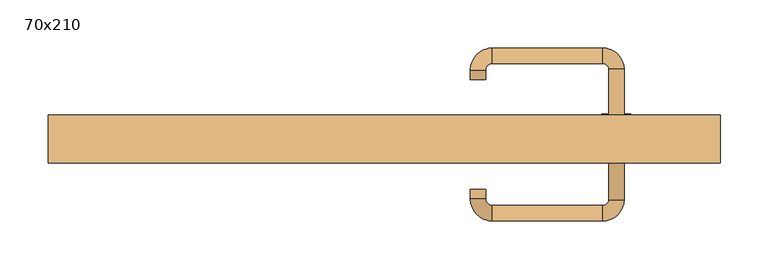
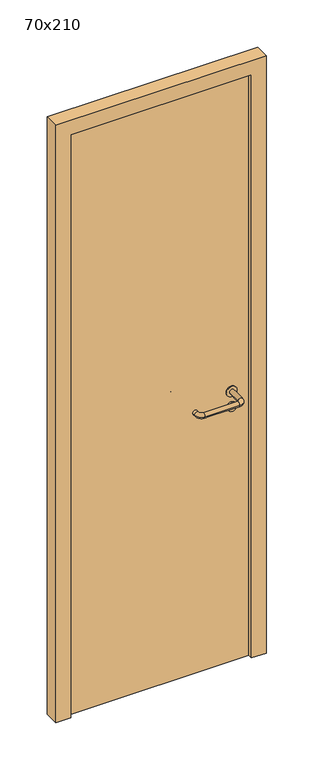
"""IFC4 building model written with IfcOpenShell, lengths in millimetres: door geometry, 70x210."""

from ifc_helpers import new_model, si_unit, point, frame, frame_2d, origin, origin_with_axes, place, context, project, spatial, polyline, circle_curve, ellipse_curve, trimmed, segment, composite_curve, outline, extrude, source, transform, mapped, element, save
from ifc_brep_helpers import plane_surface, cylinder_surface, revolved_surface, advanced_brep


def door_70x210_7f14b2c3(model_context):
    return source(origin(), model_context, "Body", "SolidModel", [
        extrude(outline(composite_curve([segment(trimmed(circle_curve(frame_2d((897.3605726, 242.0)), 15.0), [point((897.3605726, 257.0))], [point((897.3605726, 227.0))], False, "CARTESIAN"), True, "CONTINUOUS"), segment(trimmed(circle_curve(frame_2d((897.3605726, 242.0)), 15.0), [point((897.3605726, 227.0))], [point((897.3605726, 257.0))], False, "CARTESIAN"), True, "CONTINUOUS")], self_intersect=False), holes=[composite_curve([segment(trimmed(circle_curve(frame_2d((892.5833211, 241.9398032)), 2.0), [point((892.5833211, 243.9398032))], [point((892.5833211, 239.9398032))], True, "CARTESIAN"), True, "CONTINUOUS"), segment(polyline([(892.5833211, 239.9398032), (902.5833211, 239.9398032)]), True, "CONTINUOUS"), segment(trimmed(circle_curve(frame_2d((902.5833211, 241.9398032)), 2.0), [point((902.5833211, 239.9398032))], [point((902.5833211, 243.9398032))], True, "CARTESIAN"), True, "CONTINUOUS"), segment(polyline([(902.5833211, 243.9398032), (892.5833211, 243.9398032)]), True, "CONTINUOUS")], self_intersect=False)]), frame((0.0, 18.65, 0.0), z_axis=(0.0, 1.0, 0.0), x_axis=(0.0, 0.0, 1.0)), (0.0, 0.0, 1.0), 6.35),
        extrude(outline(composite_curve([segment(trimmed(circle_curve(frame_2d((950.0, 242.0)), 17.526), [point((950.0, 259.526))], [point((950.0, 224.474))], False, "CARTESIAN"), True, "CONTINUOUS"), segment(trimmed(circle_curve(frame_2d((950.0, 242.0)), 17.526), [point((950.0, 224.474))], [point((950.0, 259.526))], False, "CARTESIAN"), True, "CONTINUOUS")], self_intersect=False)), frame((0.0, 21.825, 0.0), z_axis=(0.0, 1.0, 0.0), x_axis=(0.0, 0.0, 1.0)), (0.0, 0.0, 1.0), 3.175),
        advanced_brep(
        [(250.0, 25.0, 950.0), (234.0, 25.0, 950.0), (234.0, -28.0, 950.0), (250.0, -28.0, 950.0), (227.8578644, -34.1421356, 950.0), (227.8578644, -50.1421356, 950.0), (112.8578644, -34.1421356, 950.0), (112.8578644, -50.1421356, 950.0), (106.008622, -27.2928932, 950.0), (90.008622, -27.2928932, 950.0), (90.008622, -17.2928932, 950.0), (106.008622, -17.2928932, 950.0)],
        [
            (0, 1, circle_curve(frame((242.0, 25.0, 950.0), z_axis=(0.0, 1.0, 0.0), x_axis=(-1.0, 0.0, 0.0)), 8.0)),
            (1, 0, circle_curve(frame((242.0, 25.0, 950.0), z_axis=(0.0, 1.0, 0.0), x_axis=(-1.0, 0.0, 0.0)), 8.0)),
            (1, 2),
            (2, 3, circle_curve(frame((242.0, -28.0, 950.0), z_axis=(0.0, 1.0, 0.0), x_axis=(-1.0, 0.0, 0.0)), 8.0)),
            (3, 0),
            (3, 2, circle_curve(frame((242.0, -28.0, 950.0), z_axis=(0.0, 1.0, 0.0), x_axis=(-1.0, 0.0, 0.0)), 8.0)),
            (4, 5, circle_curve(frame((227.8578644, -42.1421356, 950.0), z_axis=(1.0, 0.0, 0.0), x_axis=(0.0, 1.0, 0.0)), 8.0)),
            (5, 3, circle_curve(frame((227.8578644, -28.0, 950.0), z_axis=(0.0, 0.0, 1.0), x_axis=(1.0, 0.0, 0.0)), 22.1421356)),
            (2, 4, circle_curve(frame((227.8578644, -28.0, 950.0), z_axis=(0.0, 0.0, -1.0), x_axis=(1.0, 0.0, 0.0)), 6.1421356)),
            (5, 4, circle_curve(frame((227.8578644, -42.1421356, 950.0), z_axis=(1.0, 0.0, 0.0), x_axis=(0.0, 1.0, 0.0)), 8.0)),
            (4, 6),
            (6, 7, circle_curve(frame((112.8578644, -42.1421356, 950.0), z_axis=(1.0, 0.0, 0.0), x_axis=(0.0, 1.0, 0.0)), 8.0)),
            (7, 5),
            (7, 6, circle_curve(frame((112.8578644, -42.1421356, 950.0), z_axis=(1.0, 0.0, 0.0), x_axis=(0.0, 1.0, 0.0)), 8.0)),
            (8, 9, circle_curve(frame((98.008622, -27.2928932, 950.0), z_axis=(0.0, -1.0, 0.0), x_axis=(1.0, 0.0, 0.0)), 8.0)),
            (9, 7, circle_curve(frame((112.8578644, -27.2928932, 950.0), z_axis=(0.0, 0.0, 1.0), x_axis=(0.0, -1.0, 0.0)), 22.8492424)),
            (6, 8, circle_curve(frame((112.8578644, -27.2928932, 950.0), z_axis=(0.0, 0.0, -1.0), x_axis=(0.0, -1.0, 0.0)), 6.8492424)),
            (9, 8, circle_curve(frame((98.008622, -27.2928932, 950.0), z_axis=(0.0, -1.0, 0.0), x_axis=(1.0, 0.0, 0.0)), 8.0)),
            (10, 11, circle_curve(frame((98.008622, -17.2928932, 950.0), z_axis=(0.0, 1.0, 0.0), x_axis=(1.0, 0.0, 0.0)), 8.0)),
            (11, 10, circle_curve(frame((98.008622, -17.2928932, 950.0), z_axis=(0.0, 1.0, 0.0), x_axis=(1.0, 0.0, 0.0)), 8.0)),
            (8, 11),
            (10, 9),
        ],
        [
            plane_surface(frame((242.0, 25.0, 170.0), z_axis=(0.0, 1.0, 0.0), x_axis=(0.0, 0.0, 1.0))),
            cylinder_surface(frame((242.0, 25.0, 950.0), z_axis=(0.0, 1.0, 0.0), x_axis=(-1.0, 0.0, 0.0)), 8.0),
            revolved_surface(trimmed(ellipse_curve(frame((242.0, -28.0, 950.0), z_axis=(0.0, -1.0, 0.0), x_axis=(-1.0, 0.0, 0.0)), 8.0, 8.0), [point((250.0, -28.0, 950.0))], [point((234.0, -28.0, 950.0))], True, "CARTESIAN"), (227.8578644, -28.0, 170.0), (0.0, 0.0, 1.0)),
            revolved_surface(trimmed(ellipse_curve(frame((242.0, -28.0, 950.0), z_axis=(0.0, -1.0, 0.0), x_axis=(-1.0, 0.0, 0.0)), 8.0, 8.0), [point((234.0, -28.0, 950.0))], [point((250.0, -28.0, 950.0))], True, "CARTESIAN"), (227.8578644, -28.0, 170.0), (0.0, 0.0, 1.0)),
            cylinder_surface(frame((227.8578644, -42.1421356, 950.0), z_axis=(1.0, 0.0, 0.0), x_axis=(0.0, 1.0, 0.0)), 8.0),
            revolved_surface(trimmed(ellipse_curve(frame((112.8578644, -42.1421356, 950.0), z_axis=(-1.0, 0.0, 0.0), x_axis=(0.0, 1.0, 0.0)), 8.0, 8.0), [point((112.8578644, -50.1421356, 950.0))], [point((112.8578644, -34.1421356, 950.0))], True, "CARTESIAN"), (112.8578644, -27.2928932, 170.0), (0.0, 0.0, 1.0)),
            revolved_surface(trimmed(ellipse_curve(frame((112.8578644, -42.1421356, 950.0), z_axis=(-1.0, 0.0, 0.0), x_axis=(0.0, 1.0, 0.0)), 8.0, 8.0), [point((112.8578644, -34.1421356, 950.0))], [point((112.8578644, -50.1421356, 950.0))], True, "CARTESIAN"), (112.8578644, -27.2928932, 170.0), (0.0, 0.0, 1.0)),
            plane_surface(frame((98.008622, -17.2928932, 170.0), z_axis=(0.0, 1.0, 0.0), x_axis=(0.0, 0.0, 1.0))),
            cylinder_surface(frame((98.008622, -27.2928932, 950.0), z_axis=(0.0, -1.0, 0.0), x_axis=(1.0, 0.0, 0.0)), 8.0),
        ],
        [
            (0, [[1, 2]]),
            (1, [[3, 4, 5, -2]]),
            (1, [[-5, 6, -3, -1]]),
            (2, [[7, 8, -4, 9]]),
            (3, [[10, -9, -6, -8]]),
            (4, [[11, 12, 13, -7]]),
            (4, [[-13, 14, -11, -10]]),
            (5, [[15, 16, -12, 17]]),
            (6, [[18, -17, -14, -16]]),
            (7, [[19, 20]]),
            (8, [[21, -19, 22, -15]]),
            (8, [[-22, -20, -21, -18]]),
        ],
    ),
        extrude(outline(composite_curve([segment(trimmed(circle_curve(frame_2d((0.0, -15.0)), 15.0), [point((0.0, -30.0))], [point((0.0, 0.0))], False, "CARTESIAN"), True, "CONTINUOUS"), segment(trimmed(circle_curve(frame_2d((0.0, -15.0)), 15.0), [point((0.0, 0.0))], [point((0.0, -30.0))], False, "CARTESIAN"), True, "CONTINUOUS")], self_intersect=False), holes=[composite_curve([segment(trimmed(circle_curve(frame_2d((4.7772515, -14.9398032)), 2.0), [point((4.7772515, -16.9398032))], [point((4.7772515, -12.9398032))], True, "CARTESIAN"), True, "CONTINUOUS"), segment(polyline([(4.7772515, -12.9398032), (-5.2227485, -12.9398032)]), True, "CONTINUOUS"), segment(trimmed(circle_curve(frame_2d((-5.2227485, -14.9398032)), 2.0), [point((-5.2227485, -12.9398032))], [point((-5.2227485, -16.9398032))], True, "CARTESIAN"), True, "CONTINUOUS"), segment(polyline([(-5.2227485, -16.9398032), (4.7772515, -16.9398032)]), True, "CONTINUOUS")], self_intersect=False)]), frame((227.0, 55.0, 897.3605726), z_axis=(1.8870575173328306e-12, 1.0, 0.0), x_axis=(0.0, 0.0, -1.0)), (0.0, 0.0, 1.0), 6.35),
        extrude(outline(composite_curve([segment(trimmed(circle_curve(frame_2d((0.0, -17.526)), 17.526), [point((0.0, -35.052))], [point((0.0, 0.0))], False, "CARTESIAN"), True, "CONTINUOUS"), segment(trimmed(circle_curve(frame_2d((0.0, -17.526)), 17.526), [point((0.0, 0.0))], [point((0.0, -35.052))], False, "CARTESIAN"), True, "CONTINUOUS")], self_intersect=False)), frame((224.474, 55.0, 950.0), z_axis=(1.8870575173328306e-12, 1.0, 0.0), x_axis=(0.0, 0.0, -1.0)), (0.0, 0.0, 1.0), 3.175),
        advanced_brep(
        [(250.0, 55.0, 950.0), (234.0, 55.0, 950.0), (250.0, 108.0, 950.0), (234.0, 108.0, 950.0), (227.8578644, 114.1421356, 950.0), (227.8578644, 130.1421356, 950.0), (112.8578644, 130.1421356, 950.0), (112.8578644, 114.1421356, 950.0), (106.008622, 107.2928932, 950.0), (90.008622, 107.2928932, 950.0), (90.008622, 97.2928932, 950.0), (106.008622, 97.2928932, 950.0)],
        [
            (0, 1, circle_curve(frame((242.0, 55.0, 950.0), z_axis=(-1.888672253512351e-12, -1.0, 0.0), x_axis=(-1.0, 1.888672253512351e-12, 0.0)), 8.0)),
            (1, 0, circle_curve(frame((242.0, 55.0, 950.0), z_axis=(-1.888672253512351e-12, -1.0, 0.0), x_axis=(-1.0, 1.888672253512351e-12, 0.0)), 8.0)),
            (0, 2),
            (2, 3, circle_curve(frame((242.0, 108.0, 950.0), z_axis=(-1.888672253512351e-12, -1.0, 0.0), x_axis=(-1.0, 1.888672253512351e-12, 0.0)), 8.0)),
            (3, 1),
            (3, 2, circle_curve(frame((242.0, 108.0, 950.0), z_axis=(-1.888672253512351e-12, -1.0, 0.0), x_axis=(-1.0, 1.888672253512351e-12, 0.0)), 8.0)),
            (4, 3, circle_curve(frame((227.8578644, 108.0, 950.0), z_axis=(0.0, 0.0, -1.0), x_axis=(1.0, -1.880717803715015e-12, 0.0)), 6.1421356)),
            (2, 5, circle_curve(frame((227.8578644, 108.0, 950.0), z_axis=(0.0, 0.0, 1.0), x_axis=(1.0, -1.880717803715015e-12, 0.0)), 22.1421356)),
            (5, 4, circle_curve(frame((227.8578644, 122.1421356, 950.0), z_axis=(1.0, -1.913702061528922e-12, 0.0), x_axis=(-1.913702061528922e-12, -1.0, 0.0)), 8.0)),
            (4, 5, circle_curve(frame((227.8578644, 122.1421356, 950.0), z_axis=(1.0, -1.913702061528922e-12, 0.0), x_axis=(-1.913702061528922e-12, -1.0, 0.0)), 8.0)),
            (5, 6),
            (6, 7, circle_curve(frame((112.8578644, 122.1421356, 950.0), z_axis=(1.0, -1.913719828541269e-12, 0.0), x_axis=(-1.913719828541269e-12, -1.0, 0.0)), 8.0)),
            (7, 4),
            (7, 6, circle_curve(frame((112.8578644, 122.1421356, 950.0), z_axis=(1.0, -1.913719828541269e-12, 0.0), x_axis=(-1.913719828541269e-12, -1.0, 0.0)), 8.0)),
            (8, 7, circle_curve(frame((112.8578644, 107.2928932, 950.0), z_axis=(0.0, 0.0, -1.0), x_axis=(1.9120873253494017e-12, 1.0, 0.0)), 6.8492424)),
            (6, 9, circle_curve(frame((112.8578644, 107.2928932, 950.0), z_axis=(0.0, 0.0, 1.0), x_axis=(1.9120873253494017e-12, 1.0, 0.0)), 22.8492424)),
            (9, 8, circle_curve(frame((98.008622, 107.2928932, 950.0), z_axis=(1.890670654956676e-12, 1.0, 0.0), x_axis=(1.0, -1.890670654956676e-12, 0.0)), 8.0)),
            (8, 9, circle_curve(frame((98.008622, 107.2928932, 950.0), z_axis=(1.890226565746826e-12, 1.0, 0.0), x_axis=(1.0, -1.890226565746826e-12, 0.0)), 8.0)),
            (10, 11, circle_curve(frame((98.008622, 97.2928932, 950.0), z_axis=(-1.8903642334018795e-12, -1.0, 0.0), x_axis=(1.0, -1.8903642334018795e-12, 0.0)), 8.0)),
            (11, 10, circle_curve(frame((98.008622, 97.2928932, 950.0), z_axis=(-1.8903642334018795e-12, -1.0, 0.0), x_axis=(1.0, -1.8903642334018795e-12, 0.0)), 8.0)),
            (9, 10),
            (11, 8),
        ],
        [
            plane_surface(frame((242.0, 55.0, 170.0), z_axis=(-1.8870575173328306e-12, -1.0, 0.0), x_axis=(0.0, 0.0, 1.0))),
            cylinder_surface(frame((242.0, 55.0, 950.0), z_axis=(-1.888672253512351e-12, -1.0, 0.0), x_axis=(-1.0, 1.888672253512351e-12, 0.0)), 8.0),
            revolved_surface(trimmed(ellipse_curve(frame((242.0, 108.0, 950.0), z_axis=(-1.8823325398945356e-12, -1.0, 0.0), x_axis=(-1.0, 1.8823325398945356e-12, 0.0)), 8.0, 8.0), [point((250.0, 108.0, 950.0))], [point((234.0, 108.0, 950.0))], True, "CARTESIAN"), (227.8578644, 108.0, 170.0), (0.0, 0.0, 1.0)),
            revolved_surface(trimmed(ellipse_curve(frame((242.0, 108.0, 950.0), z_axis=(-1.8823325398945356e-12, -1.0, 0.0), x_axis=(-1.0, 1.8823325398945356e-12, 0.0)), 8.0, 8.0), [point((234.0, 108.0, 950.0))], [point((250.0, 108.0, 950.0))], True, "CARTESIAN"), (227.8578644, 108.0, 170.0), (0.0, 0.0, 1.0)),
            cylinder_surface(frame((227.8578644, 122.1421356, 950.0), z_axis=(1.0, -1.913719828541269e-12, 0.0), x_axis=(-1.913719828541269e-12, -1.0, 0.0)), 8.0),
            revolved_surface(trimmed(ellipse_curve(frame((112.8578644, 122.1421356, 950.0), z_axis=(1.0, -1.913702061528922e-12, 0.0), x_axis=(-1.913702061528922e-12, -1.0, 0.0)), 8.0, 8.0), [point((112.8578644, 130.1421356, 950.0))], [point((112.8578644, 114.1421356, 950.0))], True, "CARTESIAN"), (112.8578644, 107.2928932, 170.0), (0.0, 0.0, 1.0)),
            revolved_surface(trimmed(ellipse_curve(frame((112.8578644, 122.1421356, 950.0), z_axis=(1.0, -1.913702061528922e-12, 0.0), x_axis=(-1.913702061528922e-12, -1.0, 0.0)), 8.0, 8.0), [point((112.8578644, 114.1421356, 950.0))], [point((112.8578644, 130.1421356, 950.0))], True, "CARTESIAN"), (112.8578644, 107.2928932, 170.0), (0.0, 0.0, 1.0)),
            plane_surface(frame((98.008622, 97.2928932, 170.0), z_axis=(-1.8887494972223595e-12, -1.0, 0.0), x_axis=(0.0, 0.0, 1.0))),
            cylinder_surface(frame((98.008622, 107.2928932, 950.0), z_axis=(1.8903642334018795e-12, 1.0, 0.0), x_axis=(1.0, -1.8903642334018795e-12, 0.0)), 8.0),
        ],
        [
            (0, [[1, 2]]),
            (1, [[-1, 3, 4, 5]]),
            (1, [[-2, -5, 6, -3]]),
            (2, [[7, -4, 8, 9]]),
            (3, [[-8, -6, -7, 10]]),
            (4, [[-9, 11, 12, 13]]),
            (4, [[-10, -13, 14, -11]]),
            (5, [[15, -12, 16, 17]]),
            (6, [[-16, -14, -15, 18]]),
            (7, [[19, 20]]),
            (8, [[-17, 21, -20, 22]]),
            (8, [[-18, -22, -19, -21]]),
        ],
    ),
        extrude(outline(polyline([(2050.0, 300.0), (0.0, 300.0), (0.0, 350.0), (2100.0, 350.0), (2100.0, -350.0), (0.0, -350.0), (0.0, -300.0), (2050.0, -300.0), (2050.0, 300.0)])), frame((0.0, 10.0, 0.0), z_axis=(0.0, 1.0, 0.0), x_axis=(0.0, 0.0, 1.0)), (0.0, 0.0, 1.0), 50.0),
        extrude(outline(polyline([(-300.0, 55.0), (300.0, 55.0), (300.0, 25.0), (-300.0, 25.0), (-300.0, 55.0)])), origin_with_axes(), (0.0, 0.0, 1.0), 2050.0),
    ])


if __name__ == "__main__":
    model = new_model("IFC4")
    model_context = context("Model", 3, world=origin())
    ifc_project = project(units=[si_unit("LENGTHUNIT", "METRE", prefix="MILLI")], contexts=[model_context])
    site = spatial("IfcSite", under=ifc_project)
    building = spatial("IfcBuilding", under=site)
    placement = place(None, origin())
    door_70x210_shape = door_70x210_7f14b2c3(model_context)
    element("IfcDoor", 1, ObjectType="70x210", at=placement, inside=building, context=model_context, shape_type="MappedRepresentation", body=[
        mapped(door_70x210_shape, transform((0.0, 0.0, 0.0), x_axis=(1.0, 0.0, 0.0), y_axis=(0.0, 1.0, 0.0), z_axis=(0.0, 0.0, 1.0))),
    ])
    save(model, "model.ifc")
